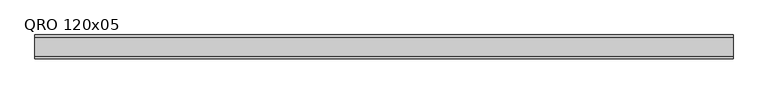
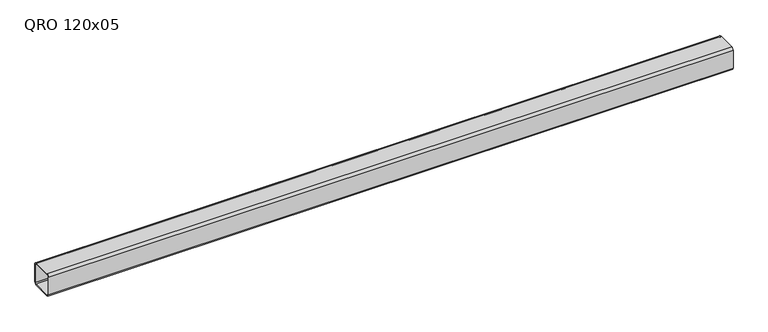
"""IFC4 building model written with IfcOpenShell, lengths in millimetres: beam geometry, QRO 120x05."""

from ifc_helpers import new_model, si_unit, point, frame, frame_2d, origin, place, context, project, spatial, polyline, circle_curve, trimmed, segment, composite_curve, outline, extrude, source, transform, mapped, element, save


def qro_120x05_6f3be404(model_context):
    return source(origin(), model_context, "Body", "SweptSolid", [
        extrude(outline(composite_curve([segment(polyline([(60.0, 48.0), (60.0, -48.0)]), True, "CONTINUOUS"), segment(trimmed(circle_curve(frame_2d((48.0, -48.0)), 12.0), [point((60.0, -48.0))], [point((48.0, -60.0))], False, "CARTESIAN"), True, "CONTINUOUS"), segment(polyline([(48.0, -60.0), (-48.0, -60.0)]), True, "CONTINUOUS"), segment(trimmed(circle_curve(frame_2d((-48.0, -48.0)), 12.0), [point((-48.0, -60.0))], [point((-60.0, -48.0))], False, "CARTESIAN"), True, "CONTINUOUS"), segment(polyline([(-60.0, -48.0), (-60.0, 48.0)]), True, "CONTINUOUS"), segment(trimmed(circle_curve(frame_2d((-48.0, 48.0)), 12.0), [point((-60.0, 48.0))], [point((-48.0, 60.0))], False, "CARTESIAN"), True, "CONTINUOUS"), segment(polyline([(-48.0, 60.0), (48.0, 60.0)]), True, "CONTINUOUS"), segment(trimmed(circle_curve(frame_2d((48.0, 48.0)), 12.0), [point((48.0, 60.0))], [point((60.0, 48.0))], False, "CARTESIAN"), True, "CONTINUOUS")], self_intersect=False), holes=[composite_curve([segment(trimmed(circle_curve(frame_2d((-48.0, 48.0)), 6.0), [point((-48.0, 54.0))], [point((-54.0, 48.0))], True, "CARTESIAN"), True, "CONTINUOUS"), segment(polyline([(-54.0, 48.0), (-54.0, -48.0)]), True, "CONTINUOUS"), segment(trimmed(circle_curve(frame_2d((-48.0, -48.0)), 6.0), [point((-54.0, -48.0))], [point((-48.0, -54.0))], True, "CARTESIAN"), True, "CONTINUOUS"), segment(polyline([(-48.0, -54.0), (48.0, -54.0)]), True, "CONTINUOUS"), segment(trimmed(circle_curve(frame_2d((48.0, -48.0)), 6.0), [point((48.0, -54.0))], [point((54.0, -48.0))], True, "CARTESIAN"), True, "CONTINUOUS"), segment(polyline([(54.0, -48.0), (54.0, 48.0)]), True, "CONTINUOUS"), segment(trimmed(circle_curve(frame_2d((48.0, 48.0)), 6.0), [point((54.0, 48.0))], [point((48.0, 54.0))], True, "CARTESIAN"), True, "CONTINUOUS"), segment(polyline([(48.0, 54.0), (-48.0, 54.0)]), True, "CONTINUOUS")], self_intersect=False)]), frame((-1764.8421758, 0.0, 0.0), z_axis=(1.0, 0.0, 0.0), x_axis=(0.0, 1.0, 0.0)), (0.0, 0.0, 1.0), 3531.6306723),
    ])


if __name__ == "__main__":
    model = new_model("IFC4")
    model_context = context("Model", 3, world=origin())
    ifc_project = project(units=[si_unit("LENGTHUNIT", "METRE", prefix="MILLI")], contexts=[model_context])
    site = spatial("IfcSite", under=ifc_project)
    building = spatial("IfcBuilding", under=site)
    placement = place(None, origin())
    qro_120x05_shape = qro_120x05_6f3be404(model_context)
    element("IfcBeam", 1, ObjectType="QRO 120x05", at=placement, inside=building, context=model_context, shape_type="MappedRepresentation", body=[
        mapped(qro_120x05_shape, transform((0.0, 0.0, 0.0), x_axis=(1.0, 0.0, 0.0), y_axis=(0.0, 1.0, 0.0), z_axis=(0.0, 0.0, 1.0))),
    ])
    save(model, "model.ifc")
